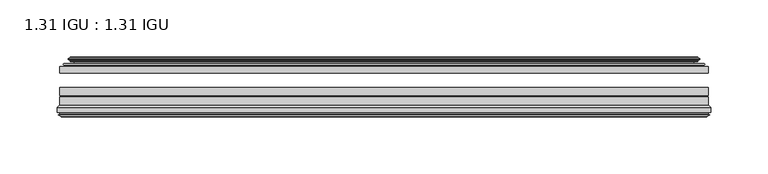
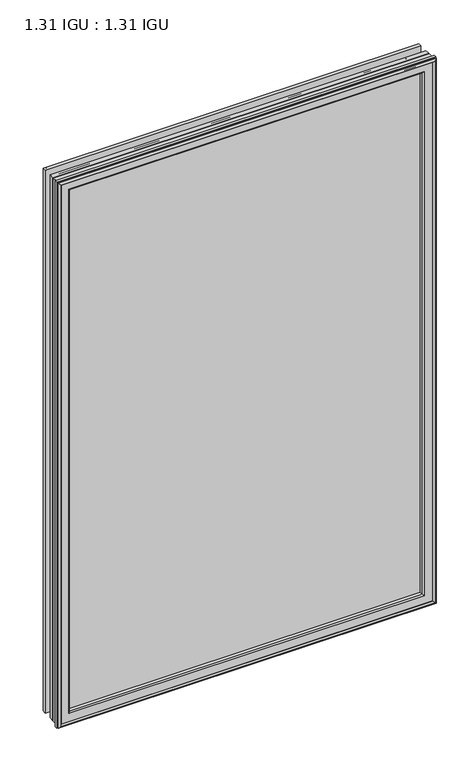
"""IFC4 building model written with IfcOpenShell, lengths in millimetres: plate geometry, 1.31 IGU : 1.31 IGU."""

import ifcopenshell
import ifcopenshell.guid

model = None  # the IFC model being written
_history = None  # IfcOwnerHistory: only IFC2X3 demands one
_inside = {}  # id of a spatial element -> (the spatial element, [elements in it])
_under = {}  # id of a project, library or spatial element -> (it, [spatial elements below it])
_declared = {}  # id of a project -> (the project, [libraries it declares])
_typed = {}  # id of a type object -> (the type object, [elements of that type])
_made_of = {}  # id of a material, layer set ... -> (it, [elements and type objects made of it])


def new_model(schema):
    """Start an empty IFC model of exactly this schema.

    Asked for "IFC4X3", IfcOpenShell would pick the latest addendum, in which some entities
    have other attributes; the version numbers below select the first issue.
    IFC2X3 requires an IfcOwnerHistory on every rooted entity: one is made here for all.
    """
    global model, _history
    if schema == "IFC4X3":
        model = ifcopenshell.file(schema_version=(4, 3, 0, 0))
    else:
        model = ifcopenshell.file(schema=schema)
    _inside.clear()
    _under.clear()
    _declared.clear()
    _typed.clear()
    _made_of.clear()
    _history = None
    if model.schema == "IFC2X3":
        org = make("IfcOrganization", Name="unknown")
        user = make(
            "IfcPersonAndOrganization",
            ThePerson=make("IfcPerson", FamilyName="unknown"),
            TheOrganization=org,
        )
        app = make(
            "IfcApplication",
            ApplicationDeveloper=org,
            Version="unknown",
            ApplicationFullName="unknown",
            ApplicationIdentifier="unknown",
        )
        _history = make(
            "IfcOwnerHistory",
            OwningUser=user,
            OwningApplication=app,
            ChangeAction="ADDED",
            CreationDate=0,
        )
    return model


def make(cls, **values):
    """One entity of the class cls with the attributes given. An attribute that is None is left unset."""
    return model.create_entity(
        cls, **{name: value for name, value in values.items() if value is not None}
    )


def rooted(cls, **values):
    """An entity with a GlobalId (a new one), such as an element, a storey or a relation."""
    return make(cls, GlobalId=ifcopenshell.guid.new(), OwnerHistory=_history, **values)


def si_unit(unit_type, name, prefix=None):
    """IfcSIUnit, for example si_unit("LENGTHUNIT", "METRE", prefix="MILLI")."""
    return make("IfcSIUnit", UnitType=unit_type, Prefix=prefix, Name=name)


def assignment(units):
    """IfcUnitAssignment: the units of a project."""
    return None if units is None else make("IfcUnitAssignment", Units=units)


def point(xyz):
    """IfcCartesianPoint."""
    return None if xyz is None else make("IfcCartesianPoint", Coordinates=xyz)


def direction(xyz):
    """IfcDirection."""
    return None if xyz is None else make("IfcDirection", DirectionRatios=xyz)


def frame(location, z_axis=None, x_axis=None):
    """IfcAxis2Placement3D, a coordinate frame: its origin and axes. An axis left out is left unset."""
    return make(
        "IfcAxis2Placement3D",
        Location=point(location),
        Axis=direction(z_axis),
        RefDirection=direction(x_axis),
    )


def origin():
    """The frame at (0, 0, 0) with its axes left unset."""
    return frame((0.0, 0.0, 0.0))


def place(relative_to, where):
    """IfcLocalPlacement: puts the frame where relative to a parent placement (None: the world)."""
    return make(
        "IfcLocalPlacement", PlacementRelTo=relative_to, RelativePlacement=where
    )


def context(
    kind, dimensions, precision=None, world=None, true_north=None, identifier=None
):
    """IfcGeometricRepresentationContext, for example the 3D "Model" context."""
    return make(
        "IfcGeometricRepresentationContext",
        ContextIdentifier=identifier,
        ContextType=kind,
        CoordinateSpaceDimension=dimensions,
        Precision=precision,
        WorldCoordinateSystem=world,
        TrueNorth=true_north,
    )


def project(units=None, contexts=None):
    """IfcProject with its units and contexts."""
    return rooted(
        "IfcProject",
        Name="project",
        RepresentationContexts=contexts,
        UnitsInContext=assignment(units),
    )


def spatial(cls, under=None, at=None, **own):
    """A site, building, storey or space (cls), placed at a placement, below another one or the project."""
    s = rooted(cls, ObjectPlacement=at, **own)
    if under is not None:
        _under.setdefault(under.id(), (under, []))[1].append(s)
    return s


def polyline(points):
    """IfcPolyline through the points."""
    return make("IfcPolyline", Points=[point(p) for p in points])


def ellipse_curve(where, semi_axis1, semi_axis2):
    """IfcEllipse in the frame where."""
    return make(
        "IfcEllipse", Position=where, SemiAxis1=semi_axis1, SemiAxis2=semi_axis2
    )


def outline(outer, holes=None, kind="AREA"):
    """IfcArbitraryClosedProfileDef: a profile drawn as a closed curve; with holes, ...WithVoids."""
    if holes is None:
        return make("IfcArbitraryClosedProfileDef", ProfileType=kind, OuterCurve=outer)
    return make(
        "IfcArbitraryProfileDefWithVoids",
        ProfileType=kind,
        OuterCurve=outer,
        InnerCurves=holes,
    )


def extrude(swept, where, along, depth):
    """IfcExtrudedAreaSolid: the profile swept, set in the frame where, extruded along a direction by depth."""
    return make(
        "IfcExtrudedAreaSolid",
        SweptArea=swept,
        Position=where,
        ExtrudedDirection=direction(along),
        Depth=depth,
    )


def shape(context_of_items, identifier, shape_type, items):
    """IfcShapeRepresentation: the items that make up one representation, for example the "Body"."""
    return make(
        "IfcShapeRepresentation",
        ContextOfItems=context_of_items,
        RepresentationIdentifier=identifier,
        RepresentationType=shape_type,
        Items=items,
    )


def source(mapping_origin, context_of_items, identifier, shape_type, items):
    """IfcRepresentationMap: a shape defined once, which mapped items show again and again."""
    return make(
        "IfcRepresentationMap",
        MappingOrigin=mapping_origin,
        MappedRepresentation=shape(context_of_items, identifier, shape_type, items),
    )


def transform(
    local_origin,
    x_axis=None,
    y_axis=None,
    z_axis=None,
    scale=None,
    scale2=None,
    scale3=None,
    uniform=True,
):
    """IfcCartesianTransformationOperator3D, or its non-uniform kind. x_axis, y_axis, z_axis: its Axis1, 2, 3."""
    if uniform:
        return make(
            "IfcCartesianTransformationOperator3D",
            Axis1=direction(x_axis),
            Axis2=direction(y_axis),
            LocalOrigin=point(local_origin),
            Scale=scale,
            Axis3=direction(z_axis),
        )
    return make(
        "IfcCartesianTransformationOperator3DnonUniform",
        Axis1=direction(x_axis),
        Axis2=direction(y_axis),
        LocalOrigin=point(local_origin),
        Scale=scale,
        Axis3=direction(z_axis),
        Scale2=scale2,
        Scale3=scale3,
    )


def mapped(mapping_source, mapping_target):
    """IfcMappedItem: shows the shape of a source again, moved by a transform."""
    return make(
        "IfcMappedItem", MappingSource=mapping_source, MappingTarget=mapping_target
    )


def made_of(thing, what):
    """Note that an element or type object is made of a material, layer set ...; save() writes the relation."""
    if what is not None:
        _made_of.setdefault(what.id(), (what, []))[1].append(thing)
    return thing


def element(
    cls,
    number,
    at=None,
    inside=None,
    cuts=None,
    type_object=None,
    material=None,
    context=None,
    identifier="Body",
    shape_type=None,
    held_by="IfcProductDefinitionShape",
    body=None,
    shapes=None,
    **own,
):
    """One element of the class cls, such as IfcWall. Its Tag is "e" and its number.

    at: its placement. inside: the storey or other place that contains it. cuts: it is an
    opening in that element (IfcRelVoidsElement). A single representation is given by context,
    identifier, shape_type and body (its items); several are given by shapes. held_by: the class
    of the entity that holds the representations. save() writes the other relations.
    """
    e = rooted(cls, Tag="e%d" % number, ObjectPlacement=at, **own)
    if body is not None:
        shapes = [shape(context, identifier, shape_type, body)]
    if shapes is not None:
        e.Representation = make(held_by, Representations=shapes)
    if inside is not None:
        _inside.setdefault(inside.id(), (inside, []))[1].append(e)
    if cuts is not None:
        rooted(
            "IfcRelVoidsElement", RelatingBuildingElement=cuts, RelatedOpeningElement=e
        )
    if type_object is not None:
        _typed.setdefault(type_object.id(), (type_object, []))[1].append(e)
    return made_of(e, material)


def aggregate(whole, parts):
    """IfcRelAggregates: a whole, such as a stair, and the parts it consists of."""
    return rooted("IfcRelAggregates", RelatingObject=whole, RelatedObjects=parts)


def save(model, path):
    """Write the relations noted so far, then the file.

    IfcRelAggregates (storeys below a building ...), IfcRelContainedInSpatialStructure (elements
    in a storey), IfcRelDefinesByType, IfcRelAssociatesMaterial and IfcRelDeclares: one each for
    every whole, place, type object, material and project.
    """
    for whole, parts in _under.values():
        aggregate(whole, parts)
    for where, things in _inside.values():
        rooted(
            "IfcRelContainedInSpatialStructure",
            RelatedElements=things,
            RelatingStructure=where,
        )
    for kind, things in _typed.values():
        rooted("IfcRelDefinesByType", RelatedObjects=things, RelatingType=kind)
    for what, things in _made_of.values():
        rooted("IfcRelAssociatesMaterial", RelatedObjects=things, RelatingMaterial=what)
    for by, libraries in _declared.values():
        rooted("IfcRelDeclares", RelatingContext=by, RelatedDefinitions=libraries)
    model.write(path)


def plane_surface(at):
    """IfcPlane: the flat surface through the origin of the frame at, square to its z axis."""
    return make("IfcPlane", Position=at)


def cylinder_surface(at, radius):
    """IfcCylindricalSurface: all points at the distance radius from the z axis of the frame at."""
    return make("IfcCylindricalSurface", Position=at, Radius=radius)


def revolved_surface(curve, axis_point, axis_direction):
    """IfcSurfaceOfRevolution: the curve turned about the line through axis_point along axis_direction."""
    return make(
        "IfcSurfaceOfRevolution",
        SweptCurve=make("IfcArbitraryOpenProfileDef", ProfileType="CURVE", Curve=curve),
        AxisPosition=make("IfcAxis1Placement", Location=point(axis_point), Axis=direction(axis_direction)),
    )


def advanced_brep(points, edges, surfaces, faces):
    """IfcAdvancedBrep: a solid bounded by faces that lie on surfaces and meet in shared edges.

    An edge is (start, end): straight between two places in points (the first is 0);
    or (start, end, curve); or (start, end, curve, False) where it runs against its curve.
    A face is (place in surfaces, loops), or (place, loops, False) where it looks against
    its surface's normal. A loop lists edges by number (the first is 1), with a minus sign
    where the edge is run from its end to its start. The first loop is the outer one.
    """
    corners = [point(p) for p in points]
    vertices = [make("IfcVertexPoint", VertexGeometry=c) for c in corners]
    made = []
    for start, end, *more in edges:
        made.append(
            make(
                "IfcEdgeCurve",
                EdgeStart=vertices[start],
                EdgeEnd=vertices[end],
                EdgeGeometry=more[0] if more else make("IfcPolyline", Points=[corners[start], corners[end]]),
                SameSense=more[1] if len(more) > 1 else True,
            )
        )
    hull = []
    for where, loops, *sense in faces:
        bounds = []
        for j, loop in enumerate(loops):
            ring = [make("IfcOrientedEdge", EdgeElement=made[abs(k) - 1], Orientation=k > 0) for k in loop]
            bounds.append(
                make(
                    "IfcFaceOuterBound" if j == 0 else "IfcFaceBound",
                    Bound=make("IfcEdgeLoop", EdgeList=ring),
                    Orientation=True,
                )
            )
        hull.append(make("IfcAdvancedFace", Bounds=bounds, FaceSurface=surfaces[where], SameSense=sense[0] if sense else True))
    return make("IfcAdvancedBrep", Outer=make("IfcClosedShell", CfsFaces=hull))


def plate_1_31_igu_1_31_igu_77dc7ac2(model_context):
    return source(origin(), model_context, "Body", "SolidModel", [
        extrude(outline(polyline([(284.1575649, -44.8960875), (284.1575649, -50.4332875), (-284.1625, -50.4332875), (-284.1625, -44.8960875), (284.1575649, -44.8960875)])), frame((0.0, 0.0, -14.2875), z_axis=(0.0, 0.0, 1.0), x_axis=(1.0, 0.0, 0.0)), (0.0, 0.0, 1.0), 868.3488413),
        extrude(outline(polyline([(-284.1625, -78.7796875), (-284.1625, -71.7692875), (284.1575649, -71.7692875), (284.1575649, -78.7796875), (-284.1625, -78.7796875)])), frame((0.0, 0.0, -14.2875), z_axis=(0.0, 0.0, 1.0), x_axis=(1.0, 0.0, 0.0)), (0.0, 0.0, 1.0), 868.3488413),
        extrude(outline(polyline([(-284.1625, -70.2452875), (-284.1625, -63.1332875), (284.1575649, -63.1332875), (284.1575649, -70.2452875), (-284.1625, -70.2452875)])), frame((0.0, 0.0, -14.2875), z_axis=(0.0, 0.0, 1.0), x_axis=(1.0, 0.0, 0.0)), (0.0, 0.0, 1.0), 868.3488413),
        advanced_brep(
        [(-274.8171755, -37.7373382, 844.7160167), (-269.8755426, -36.3108875, 839.7743838), (-269.8755426, -36.3108875, -0.0005426), (-274.8171755, -37.7373382, -4.9421755), (-274.6520702, -36.9605789, 844.5509115), (-274.6520702, -36.9605789, -4.7770702), (-275.2475559, -36.4771203, 845.1463972), (-275.2475559, -36.4771203, -5.3725559), (-276.5121917, -37.766076, 846.411033), (-276.5121917, -37.766076, -6.6371917), (-276.5013749, -38.8797852, 846.4002162), (-276.5013749, -38.8797852, -6.6263749), (-275.2198897, -40.1361433, 845.118731), (-275.2198897, -40.1361433, -5.3448897), (-274.6148829, -39.649943, 844.5137242), (-274.6148829, -39.649943, -4.7398829), (-275.1688972, -39.0959287, 845.0677384), (-275.1688972, -39.0959287, -5.2938972), (-272.8830887, -38.7029881, 842.78193), (-272.8830887, -38.7029881, -3.0080887), (-271.4240157, -40.2107282, 841.3228569), (-271.4240157, -40.2107282, -1.5490157), (-271.7205976, -41.651269, 841.6194389), (-271.7205976, -41.651269, -1.8455976), (-272.4918221, -42.2798875, 842.3906633), (-272.4918221, -42.2798875, -2.6168221), (-280.7957984, -43.4871542, 850.6946396), (-280.5205969, -42.2798875, 850.4194382), (-280.5205969, -42.2798875, -10.6455969), (-280.7957984, -43.4871542, -10.9207984), (-277.3382297, -44.8960875, 847.237071), (-277.3382297, -44.8960875, -7.4632297), (-266.2406059, -44.023302, 836.1394472), (-266.5959439, -44.8960875, 836.4947851), (-266.5959439, -44.8960875, 3.2790561), (-266.2406059, -44.023302, 3.6343941), (-266.911804, -43.3681812, 836.8106452), (-266.911804, -43.3681812, 2.963196), (-268.5525946, -40.6686056, 838.4514358), (-268.5525946, -40.6686056, 1.3224054), (269.8755426, -36.3108875, -0.0005426), (274.8171755, -37.7373382, -4.9421755), (274.6520702, -36.9605789, -4.7770702), (275.2475559, -36.4771203, -5.3725559), (276.5121917, -37.766076, -6.6371917), (276.5013749, -38.8797852, -6.6263749), (275.2198897, -40.1361433, -5.3448897), (274.6148829, -39.649943, -4.7398829), (275.1688972, -39.0959287, -5.2938972), (272.8830887, -38.7029881, -3.0080887), (271.4240157, -40.2107282, -1.5490157), (271.7205976, -41.651269, -1.8455976), (272.4918221, -42.2798875, -2.6168221), (280.5205969, -42.2798875, -10.6455969), (280.7957984, -43.4871542, -10.9207984), (277.3382297, -44.8960875, -7.4632297), (266.5959439, -44.8960875, 3.2790561), (266.2406059, -44.023302, 3.6343941), (266.911804, -43.3681812, 2.963196), (268.5525946, -40.6686056, 1.3224054), (269.8755426, -36.3108875, 839.7743838), (274.8171755, -37.7373382, 844.7160167), (274.6520702, -36.9605789, 844.5509115), (275.2475559, -36.4771203, 845.1463972), (276.5121917, -37.766076, 846.411033), (276.5013749, -38.8797852, 846.4002162), (275.2198897, -40.1361433, 845.118731), (274.6148829, -39.649943, 844.5137242), (275.1688972, -39.0959287, 845.0677384), (272.8830887, -38.7029881, 842.78193), (271.4240157, -40.2107282, 841.3228569), (271.7205976, -41.651269, 841.6194389), (272.4918221, -42.2798875, 842.3906633), (280.5205969, -42.2798875, 850.4194382), (280.7957984, -43.4871542, 850.6946396), (277.3382297, -44.8960875, 847.237071), (266.5959439, -44.8960875, 836.4947851), (266.2406059, -44.023302, 836.1394472), (266.911804, -43.3681812, 836.8106452), (268.5525946, -40.6686056, 838.4514358)],
        [
            (0, 1),
            (1, 2),
            (2, 3),
            (3, 0),
            (4, 0),
            (3, 5),
            (5, 4),
            (6, 4, ellipse_curve(frame((-274.9725871, -36.746901, 844.8714284), z_axis=(-0.7071067811865475, 0.0, -0.7071067811865475), x_axis=(-0.7071067811865474, 0.0, 0.7071067811865476)), 0.5447741, 0.3852135)),
            (5, 7, ellipse_curve(frame((-274.9725871, -36.746901, -5.0975871), z_axis=(-0.7071067811865475, 0.0, 0.7071067811865475), x_axis=(0.7071067811865474, 0.0, 0.7071067811865476)), 0.5447741, 0.3852135)),
            (7, 6),
            (8, 6),
            (7, 9),
            (9, 8),
            (10, 8, ellipse_curve(frame((-275.9501387, -38.3175243, 845.8489799), z_axis=(-0.7071067811865475, 0.0, -0.7071067811865475), x_axis=(-0.7071067811865474, 0.0, 0.7071067811865476)), 1.1135518, 0.7874)),
            (9, 11, ellipse_curve(frame((-275.9501387, -38.3175243, -6.0751387), z_axis=(-0.7071067811865475, 0.0, 0.7071067811865475), x_axis=(0.7071067811865474, 0.0, 0.7071067811865476)), 1.1135518, 0.7874)),
            (11, 10),
            (12, 10),
            (11, 13),
            (13, 12),
            (14, 12, ellipse_curve(frame((-274.9462922, -39.8570738, 844.8451335), z_axis=(-0.7071067811865475, 0.0, -0.7071067811865475), x_axis=(-0.7071067811865474, 0.0, 0.7071067811865476)), 0.552694, 0.3908137)),
            (13, 15, ellipse_curve(frame((-274.9462922, -39.8570738, -5.0712922), z_axis=(-0.7071067811865475, 0.0, 0.7071067811865475), x_axis=(0.7071067811865474, 0.0, 0.7071067811865476)), 0.552694, 0.3908137)),
            (15, 14),
            (16, 14),
            (15, 17),
            (17, 16),
            (18, 16),
            (17, 19),
            (19, 18),
            (20, 18, ellipse_curve(frame((-272.6679261, -39.954629, 842.5667674), z_axis=(0.7071067811865475, 0.0, 0.7071067811865475), x_axis=(0.7071067811865474, 0.0, -0.7071067811865476)), 1.7960512, 1.27)),
            (19, 21, ellipse_curve(frame((-272.6679261, -39.954629, -2.7929261), z_axis=(0.7071067811865475, 0.0, -0.7071067811865475), x_axis=(-0.7071067811865474, 0.0, -0.7071067811865476)), 1.7960512, 1.27)),
            (21, 20),
            (22, 20),
            (21, 23),
            (23, 22),
            (24, 22, ellipse_curve(frame((-272.4918221, -41.4924875, 842.3906633), z_axis=(0.7071067811865475, 0.0, 0.7071067811865475), x_axis=(0.7071067811865474, 0.0, -0.7071067811865476)), 1.1135518, 0.7874)),
            (23, 25, ellipse_curve(frame((-272.4918221, -41.4924875, -2.6168221), z_axis=(0.7071067811865475, 0.0, -0.7071067811865475), x_axis=(-0.7071067811865474, 0.0, -0.7071067811865476)), 1.1135518, 0.7874)),
            (25, 24),
            (26, 27, ellipse_curve(frame((-280.5205969, -42.9148875, 850.4194382), z_axis=(-0.7071067811865475, 0.0, -0.7071067811865475), x_axis=(-0.7071067811865474, 0.0, 0.7071067811865476)), 0.8980256, 0.635)),
            (27, 28),
            (28, 29, ellipse_curve(frame((-280.5205969, -42.9148875, -10.6455969), z_axis=(-0.7071067811865475, 0.0, 0.7071067811865475), x_axis=(0.7071067811865474, 0.0, 0.7071067811865476)), 0.8980256, 0.635)),
            (29, 26),
            (30, 26),
            (29, 31),
            (31, 30),
            (32, 33, ellipse_curve(frame((-266.5959439, -44.3873602, 836.4947851), z_axis=(-0.7071067811865475, 0.0, -0.7071067811865475), x_axis=(-0.7071067811865474, 0.0, 0.7071067811865476)), 0.719449, 0.5087273)),
            (33, 34),
            (34, 35, ellipse_curve(frame((-266.5959439, -44.3873602, 3.2790561), z_axis=(-0.7071067811865475, 0.0, 0.7071067811865475), x_axis=(0.7071067811865474, 0.0, 0.7071067811865476)), 0.719449, 0.5087273)),
            (35, 32),
            (36, 32),
            (35, 37),
            (37, 36),
            (38, 36, ellipse_curve(frame((-262.4764298, -38.823959, 832.375271), z_axis=(0.7071067811865475, 0.0, 0.7071067811865475), x_axis=(0.7071067811865474, 0.0, -0.7071067811865476)), 8.9802561, 6.35)),
            (37, 39, ellipse_curve(frame((-262.4764298, -38.823959, 7.3985702), z_axis=(0.7071067811865475, 0.0, -0.7071067811865475), x_axis=(-0.7071067811865474, 0.0, -0.7071067811865476)), 8.9802561, 6.35)),
            (39, 38),
            (1, 38),
            (39, 2),
            (2, 40),
            (40, 41),
            (41, 3),
            (41, 42),
            (42, 5),
            (42, 43, ellipse_curve(frame((274.9725871, -36.746901, -5.0975871), z_axis=(-0.7071067811865475, 0.0, -0.7071067811865475), x_axis=(-0.7071067811865476, 0.0, 0.7071067811865474)), 0.5447741, 0.3852135)),
            (43, 7),
            (43, 44),
            (44, 9),
            (44, 45, ellipse_curve(frame((275.9501387, -38.3175243, -6.0751387), z_axis=(-0.7071067811865475, 0.0, -0.7071067811865475), x_axis=(-0.7071067811865476, 0.0, 0.7071067811865474)), 1.1135518, 0.7874)),
            (45, 11),
            (45, 46),
            (46, 13),
            (46, 47, ellipse_curve(frame((274.9462922, -39.8570738, -5.0712922), z_axis=(-0.7071067811865475, 0.0, -0.7071067811865475), x_axis=(-0.7071067811865476, 0.0, 0.7071067811865474)), 0.552694, 0.3908137)),
            (47, 15),
            (47, 48),
            (48, 17),
            (48, 49),
            (49, 19),
            (49, 50, ellipse_curve(frame((272.6679261, -39.954629, -2.7929261), z_axis=(0.7071067811865475, 0.0, 0.7071067811865475), x_axis=(0.7071067811865476, 0.0, -0.7071067811865474)), 1.7960512, 1.27)),
            (50, 21),
            (50, 51),
            (51, 23),
            (51, 52, ellipse_curve(frame((272.4918221, -41.4924875, -2.6168221), z_axis=(0.7071067811865475, 0.0, 0.7071067811865475), x_axis=(0.7071067811865476, 0.0, -0.7071067811865474)), 1.1135518, 0.7874)),
            (52, 25),
            (28, 53),
            (53, 54, ellipse_curve(frame((280.5205969, -42.9148875, -10.6455969), z_axis=(-0.7071067811865475, 0.0, -0.7071067811865475), x_axis=(-0.7071067811865476, 0.0, 0.7071067811865474)), 0.8980256, 0.635)),
            (54, 29),
            (54, 55),
            (55, 31),
            (34, 56),
            (56, 57, ellipse_curve(frame((266.5959439, -44.3873602, 3.2790561), z_axis=(-0.7071067811865475, 0.0, -0.7071067811865475), x_axis=(-0.7071067811865476, 0.0, 0.7071067811865474)), 0.719449, 0.5087273)),
            (57, 35),
            (57, 58),
            (58, 37),
            (58, 59, ellipse_curve(frame((262.4764298, -38.823959, 7.3985702), z_axis=(0.7071067811865475, 0.0, 0.7071067811865475), x_axis=(0.7071067811865476, 0.0, -0.7071067811865474)), 8.9802561, 6.35)),
            (59, 39),
            (59, 40),
            (40, 60),
            (60, 61),
            (61, 41),
            (61, 62),
            (62, 42),
            (62, 63, ellipse_curve(frame((274.9725871, -36.746901, 844.8714284), z_axis=(0.7071067811865475, 0.0, -0.7071067811865475), x_axis=(-0.7071067811865474, 0.0, -0.7071067811865476)), 0.5447741, 0.3852135)),
            (63, 43),
            (63, 64),
            (64, 44),
            (64, 65, ellipse_curve(frame((275.9501387, -38.3175243, 845.8489799), z_axis=(0.7071067811865475, 0.0, -0.7071067811865475), x_axis=(-0.7071067811865474, 0.0, -0.7071067811865476)), 1.1135518, 0.7874)),
            (65, 45),
            (65, 66),
            (66, 46),
            (66, 67, ellipse_curve(frame((274.9462922, -39.8570738, 844.8451335), z_axis=(0.7071067811865475, 0.0, -0.7071067811865475), x_axis=(-0.7071067811865474, 0.0, -0.7071067811865476)), 0.552694, 0.3908137)),
            (67, 47),
            (67, 68),
            (68, 48),
            (68, 69),
            (69, 49),
            (69, 70, ellipse_curve(frame((272.6679261, -39.954629, 842.5667674), z_axis=(-0.7071067811865475, 0.0, 0.7071067811865475), x_axis=(0.7071067811865474, 0.0, 0.7071067811865476)), 1.7960512, 1.27)),
            (70, 50),
            (70, 71),
            (71, 51),
            (71, 72, ellipse_curve(frame((272.4918221, -41.4924875, 842.3906633), z_axis=(-0.7071067811865475, 0.0, 0.7071067811865475), x_axis=(0.7071067811865474, 0.0, 0.7071067811865476)), 1.1135518, 0.7874)),
            (72, 52),
            (53, 73),
            (73, 74, ellipse_curve(frame((280.5205969, -42.9148875, 850.4194382), z_axis=(0.7071067811865475, 0.0, -0.7071067811865475), x_axis=(-0.7071067811865474, 0.0, -0.7071067811865476)), 0.8980256, 0.635)),
            (74, 54),
            (74, 75),
            (75, 55),
            (56, 76),
            (76, 77, ellipse_curve(frame((266.5959439, -44.3873602, 836.4947851), z_axis=(0.7071067811865475, 0.0, -0.7071067811865475), x_axis=(-0.7071067811865474, 0.0, -0.7071067811865476)), 0.719449, 0.5087273)),
            (77, 57),
            (77, 78),
            (78, 58),
            (78, 79, ellipse_curve(frame((262.4764298, -38.823959, 832.375271), z_axis=(-0.7071067811865475, 0.0, 0.7071067811865475), x_axis=(0.7071067811865474, 0.0, 0.7071067811865476)), 8.9802561, 6.35)),
            (79, 59),
            (79, 60),
            (60, 1),
            (0, 61),
            (4, 62),
            (6, 63),
            (8, 64),
            (10, 65),
            (12, 66),
            (14, 67),
            (16, 68),
            (18, 69),
            (20, 70),
            (22, 71),
            (24, 72),
            (27, 73),
            (26, 74),
            (30, 75),
            (33, 76),
            (32, 77),
            (36, 78),
            (38, 79),
        ],
        [
            plane_surface(frame((-269.8755426, -36.3108875, 839.7743838), z_axis=(-0.2773364928492854, 0.9607728502273877, 0.0), x_axis=(0.0, 0.0, -1.0))),
            plane_surface(frame((-274.8171755, -37.7373382, 844.7160167), z_axis=(0.9781476007338358, -0.20791169081761773, 0.0), x_axis=(0.0, 0.0, -1.0))),
            cylinder_surface(frame((-274.9725871, -36.746901, 871.5238413), z_axis=(0.0, 0.0, 1.0), x_axis=(-1.0, 0.0, 0.0)), 0.3852135),
            plane_surface(frame((-275.2475559, -36.4771203, 845.1463972), z_axis=(-0.7138087599382162, 0.7003406701280929, 0.0), x_axis=(0.0, 0.0, -1.0))),
            cylinder_surface(frame((-275.9501387, -38.3175243, 871.5238413), z_axis=(0.0, 0.0, 1.0), x_axis=(-1.0, 0.0, 0.0)), 0.7874),
            plane_surface(frame((-276.5013749, -38.8797852, 846.4002162), z_axis=(-0.7000714109283733, -0.7140728391423082, 0.0), x_axis=(0.0, 0.0, -1.0))),
            cylinder_surface(frame((-274.9462922, -39.8570738, 871.5238413), z_axis=(0.0, 0.0, 1.0), x_axis=(-1.0, 0.0, 0.0)), 0.3908137),
            plane_surface(frame((-274.6148829, -39.649943, 844.5137242), z_axis=(0.7071067811861126, 0.7071067811869826, 0.0), x_axis=(0.0, 0.0, -1.0))),
            plane_surface(frame((-275.1688972, -39.0959287, 845.0677384), z_axis=(0.1694194067101148, -0.9855440449974789, 0.0), x_axis=(0.0, 0.0, -1.0))),
            revolved_surface(polyline([(-273.93792609999997, -39.954629, -4.0629260828783345), (-273.93792609999997, -39.954629, 843.8367673828783)]), (-272.6679261, -39.954629, 871.5238413), (0.0, 0.0, -1.0)),
            plane_surface(frame((-271.4240157, -40.2107282, 841.3228569), z_axis=(-0.9794570432566897, 0.20165292067030202, 0.0), x_axis=(0.0, 0.0, -1.0))),
            revolved_surface(polyline([(-273.27922209999997, -41.4924875, -3.4042221289824965), (-273.27922209999997, -41.4924875, 843.1780633289825)]), (-272.4918221, -41.4924875, 871.5238413), (0.0, 0.0, -1.0)),
            cylinder_surface(frame((-280.5205969, -42.9148875, 871.5238413), z_axis=(0.0, 0.0, 1.0), x_axis=(-1.0, 0.0, 0.0)), 0.635),
            plane_surface(frame((-280.7957984, -43.4871542, 850.6946396), z_axis=(-0.37736447542757934, -0.9260648209954139, 0.0), x_axis=(0.0, 0.0, -1.0))),
            cylinder_surface(frame((-266.5959439, -44.3873602, 871.5238413), z_axis=(0.0, 0.0, 1.0), x_axis=(-1.0, 0.0, 0.0)), 0.5087273),
            plane_surface(frame((-266.2406059, -44.023302, 836.1394472), z_axis=(0.698484125849927, 0.7156255486884628, 0.0), x_axis=(0.0, 0.0, -1.0))),
            revolved_surface(polyline([(-268.8264298, -38.823959, 1.0485702148981773), (-268.8264298, -38.823959, 838.7252709851018)]), (-262.4764298, -38.823959, 871.5238413), (0.0, 0.0, -1.0)),
            plane_surface(frame((-268.5525946, -40.6686056, 838.4514358), z_axis=(0.956876347351701, 0.2904955350411895, 0.0), x_axis=(0.0, 0.0, -1.0))),
            plane_surface(frame((-269.8755426, -36.3108875, -0.0005426), z_axis=(0.0, 0.9607728502273868, -0.2773364928492885), x_axis=(1.0, 0.0, 0.0))),
            plane_surface(frame((-274.8171755, -37.7373382, -4.9421755), z_axis=(0.0, -0.20791169081761454, 0.9781476007338364), x_axis=(1.0, 0.0, 0.0))),
            cylinder_surface(frame((-301.625, -36.746901, -5.0975871), z_axis=(-1.0, 0.0, 0.0), x_axis=(0.0, 0.0, -1.0)), 0.3852135),
            plane_surface(frame((-275.2475559, -36.4771203, -5.3725559), z_axis=(0.0, 0.7003406701280904, -0.7138087599382185), x_axis=(1.0, 0.0, 0.0))),
            cylinder_surface(frame((-301.625, -38.3175243, -6.0751387), z_axis=(-1.0, 0.0, 0.0), x_axis=(0.0, 0.0, -1.0)), 0.7874),
            plane_surface(frame((-276.5013749, -38.8797852, -6.6263749), z_axis=(0.0, -0.7140728391423106, -0.700071410928371), x_axis=(1.0, 0.0, 0.0))),
            cylinder_surface(frame((-301.625, -39.8570738, -5.0712922), z_axis=(-1.0, 0.0, 0.0), x_axis=(0.0, 0.0, -1.0)), 0.3908137),
            plane_surface(frame((-274.6148829, -39.649943, -4.7398829), z_axis=(0.0, 0.7071067811869849, 0.7071067811861103), x_axis=(1.0, 0.0, 0.0))),
            plane_surface(frame((-275.1688972, -39.0959287, -5.2938972), z_axis=(0.0, -0.9855440449974784, 0.16941940671011801), x_axis=(1.0, 0.0, 0.0))),
            revolved_surface(polyline([(273.9379260828782, -39.954629, -4.0629261), (-273.9379260828782, -39.954629, -4.0629261)]), (-301.625, -39.954629, -2.7929261), (1.0, 0.0, 0.0)),
            plane_surface(frame((-271.4240157, -40.2107282, -1.5490157), z_axis=(0.0, 0.20165292067029883, -0.9794570432566904), x_axis=(1.0, 0.0, 0.0))),
            revolved_surface(polyline([(273.2792221289825, -41.4924875, -3.4042220999999997), (-273.27922212898244, -41.4924875, -3.4042220999999997)]), (-301.625, -41.4924875, -2.6168221), (1.0, 0.0, 0.0)),
            cylinder_surface(frame((-301.625, -42.9148875, -10.6455969), z_axis=(-1.0, 0.0, 0.0), x_axis=(0.0, 0.0, -1.0)), 0.635),
            plane_surface(frame((-280.7957984, -43.4871542, -10.9207984), z_axis=(0.0, -0.9260648209954151, -0.37736447542757634), x_axis=(1.0, 0.0, 0.0))),
            cylinder_surface(frame((-301.625, -44.3873602, 3.2790561), z_axis=(-1.0, 0.0, 0.0), x_axis=(0.0, 0.0, -1.0)), 0.5087273),
            plane_surface(frame((-266.2406059, -44.023302, 3.6343941), z_axis=(0.0, 0.7156255486884651, 0.6984841258499247), x_axis=(1.0, 0.0, 0.0))),
            revolved_surface(polyline([(268.8264297851018, -38.823959, 1.0485702000000003), (-268.8264297851019, -38.823959, 1.0485702000000003)]), (-301.625, -38.823959, 7.3985702), (1.0, 0.0, 0.0)),
            plane_surface(frame((-268.5525946, -40.6686056, 1.3224054), z_axis=(0.0, 0.29049553504119263, 0.9568763473517), x_axis=(1.0, 0.0, 0.0))),
            plane_surface(frame((269.8755426, -36.3108875, -0.0005426), z_axis=(0.2773364928492916, 0.9607728502273859, 0.0), x_axis=(0.0, 0.0, 1.0))),
            plane_surface(frame((274.8171755, -37.7373382, -4.9421755), z_axis=(-0.9781476007338371, -0.20791169081761135, 0.0), x_axis=(0.0, 0.0, 1.0))),
            cylinder_surface(frame((274.9725871, -36.746901, -31.75), z_axis=(0.0, 0.0, -1.0), x_axis=(1.0, 0.0, 0.0)), 0.3852135),
            plane_surface(frame((275.2475559, -36.4771203, -5.3725559), z_axis=(0.7138087599382208, 0.7003406701280881, 0.0), x_axis=(0.0, 0.0, 1.0))),
            cylinder_surface(frame((275.9501387, -38.3175243, -31.75), z_axis=(0.0, 0.0, -1.0), x_axis=(1.0, 0.0, 0.0)), 0.7874),
            plane_surface(frame((276.5013749, -38.8797852, -6.6263749), z_axis=(0.7000714109283687, -0.7140728391423129, 0.0), x_axis=(0.0, 0.0, 1.0))),
            cylinder_surface(frame((274.9462922, -39.8570738, -31.75), z_axis=(0.0, 0.0, -1.0), x_axis=(1.0, 0.0, 0.0)), 0.3908137),
            plane_surface(frame((274.6148829, -39.649943, -4.7398829), z_axis=(-0.7071067811861079, 0.7071067811869872, 0.0), x_axis=(0.0, 0.0, 1.0))),
            plane_surface(frame((275.1688972, -39.0959287, -5.2938972), z_axis=(-0.16941940671012123, -0.9855440449974778, 0.0), x_axis=(0.0, 0.0, 1.0))),
            revolved_surface(polyline([(273.93792609999997, -39.954629, 843.8367673828783), (273.93792609999997, -39.954629, -4.062926082878235)]), (272.6679261, -39.954629, -31.75), (0.0, 0.0, 1.0)),
            plane_surface(frame((271.4240157, -40.2107282, -1.5490157), z_axis=(0.979457043256691, 0.20165292067029564, 0.0), x_axis=(0.0, 0.0, 1.0))),
            revolved_surface(polyline([(273.27922209999997, -41.4924875, 843.1780633289825), (273.27922209999997, -41.4924875, -3.404222128982486)]), (272.4918221, -41.4924875, -31.75), (0.0, 0.0, 1.0)),
            cylinder_surface(frame((280.5205969, -42.9148875, -31.75), z_axis=(0.0, 0.0, -1.0), x_axis=(1.0, 0.0, 0.0)), 0.635),
            plane_surface(frame((280.7957984, -43.4871542, -10.9207984), z_axis=(0.37736447542757334, -0.9260648209954163, 0.0), x_axis=(0.0, 0.0, 1.0))),
            cylinder_surface(frame((266.5959439, -44.3873602, -31.75), z_axis=(0.0, 0.0, -1.0), x_axis=(1.0, 0.0, 0.0)), 0.5087273),
            plane_surface(frame((266.2406059, -44.023302, 3.6343941), z_axis=(-0.6984841258499224, 0.7156255486884673, 0.0), x_axis=(0.0, 0.0, 1.0))),
            revolved_surface(polyline([(268.8264298, -38.823959, 838.7252709851018), (268.8264298, -38.823959, 1.0485702148981417)]), (262.4764298, -38.823959, -31.75), (0.0, 0.0, 1.0)),
            plane_surface(frame((268.5525946, -40.6686056, 1.3224054), z_axis=(-0.9568763473516991, 0.2904955350411958, 0.0), x_axis=(0.0, 0.0, 1.0))),
            plane_surface(frame((269.8755426, -36.3108875, 839.7743838), z_axis=(0.0, 0.9607728502273868, 0.2773364928492885), x_axis=(-1.0, 0.0, 0.0))),
            plane_surface(frame((274.8171755, -37.7373382, 844.7160167), z_axis=(0.0, -0.20791169081761454, -0.9781476007338364), x_axis=(-1.0, 0.0, 0.0))),
            cylinder_surface(frame((301.625, -36.746901, 844.8714284), z_axis=(1.0, 0.0, 0.0), x_axis=(0.0, 0.0, 1.0)), 0.3852135),
            plane_surface(frame((275.2475559, -36.4771203, 845.1463972), z_axis=(0.0, 0.7003406701280904, 0.7138087599382185), x_axis=(-1.0, 0.0, 0.0))),
            cylinder_surface(frame((301.625, -38.3175243, 845.8489799), z_axis=(1.0, 0.0, 0.0), x_axis=(0.0, 0.0, 1.0)), 0.7874),
            plane_surface(frame((276.5013749, -38.8797852, 846.4002162), z_axis=(0.0, -0.7140728391423106, 0.700071410928371), x_axis=(-1.0, 0.0, 0.0))),
            cylinder_surface(frame((301.625, -39.8570738, 844.8451335), z_axis=(1.0, 0.0, 0.0), x_axis=(0.0, 0.0, 1.0)), 0.3908137),
            plane_surface(frame((274.6148829, -39.649943, 844.5137242), z_axis=(0.0, 0.7071067811869849, -0.7071067811861103), x_axis=(-1.0, 0.0, 0.0))),
            plane_surface(frame((275.1688972, -39.0959287, 845.0677384), z_axis=(0.0, -0.9855440449974784, -0.16941940671011801), x_axis=(-1.0, 0.0, 0.0))),
            revolved_surface(polyline([(-273.9379260828782, -39.954629, 843.8367674), (273.9379260828782, -39.954629, 843.8367674)]), (301.625, -39.954629, 842.5667674), (-1.0, 0.0, 0.0)),
            plane_surface(frame((271.4240157, -40.2107282, 841.3228569), z_axis=(0.0, 0.20165292067029883, 0.9794570432566904), x_axis=(-1.0, 0.0, 0.0))),
            revolved_surface(polyline([(-273.2792221289825, -41.4924875, 843.1780633000001), (273.27922212898244, -41.4924875, 843.1780633000001)]), (301.625, -41.4924875, 842.3906633), (-1.0, 0.0, 0.0)),
            plane_surface(frame((272.4918221, -42.2798875, 842.3906633), z_axis=(0.0, 1.0, 0.0), x_axis=(-1.0, 0.0, 0.0))),
            cylinder_surface(frame((301.625, -42.9148875, 850.4194382), z_axis=(1.0, 0.0, 0.0), x_axis=(0.0, 0.0, 1.0)), 0.635),
            plane_surface(frame((280.7957984, -43.4871542, 850.6946396), z_axis=(0.0, -0.9260648209954151, 0.37736447542757634), x_axis=(-1.0, 0.0, 0.0))),
            plane_surface(frame((277.3382297, -44.8960875, 847.237071), z_axis=(0.0, -1.0, 0.0), x_axis=(-1.0, 0.0, 0.0))),
            cylinder_surface(frame((301.625, -44.3873602, 836.4947851), z_axis=(1.0, 0.0, 0.0), x_axis=(0.0, 0.0, 1.0)), 0.5087273),
            plane_surface(frame((266.2406059, -44.023302, 836.1394472), z_axis=(0.0, 0.7156255486884651, -0.6984841258499247), x_axis=(-1.0, 0.0, 0.0))),
            revolved_surface(polyline([(-268.8264297851018, -38.823959, 838.725271), (268.8264297851019, -38.823959, 838.725271)]), (301.625, -38.823959, 832.375271), (-1.0, 0.0, 0.0)),
            plane_surface(frame((268.5525946, -40.6686056, 838.4514358), z_axis=(0.0, 0.2904955350411927, -0.9568763473517001), x_axis=(-1.0, 0.0, 0.0))),
        ],
        [
            (0, [[1, 2, 3, 4]]),
            (1, [[5, -4, 6, 7]]),
            (2, [[8, -7, 9, 10]]),
            (3, [[11, -10, 12, 13]]),
            (4, [[14, -13, 15, 16]]),
            (5, [[17, -16, 18, 19]]),
            (6, [[20, -19, 21, 22]]),
            (7, [[23, -22, 24, 25]]),
            (8, [[26, -25, 27, 28]]),
            (9, [[29, -28, 30, 31]]),
            (10, [[32, -31, 33, 34]]),
            (11, [[35, -34, 36, 37]]),
            (12, [[38, 39, 40, 41]]),
            (13, [[42, -41, 43, 44]]),
            (14, [[45, 46, 47, 48]]),
            (15, [[49, -48, 50, 51]]),
            (16, [[52, -51, 53, 54]]),
            (17, [[55, -54, 56, -2]]),
            (18, [[-3, 57, 58, 59]]),
            (19, [[-6, -59, 60, 61]]),
            (20, [[-9, -61, 62, 63]]),
            (21, [[-12, -63, 64, 65]]),
            (22, [[-15, -65, 66, 67]]),
            (23, [[-18, -67, 68, 69]]),
            (24, [[-21, -69, 70, 71]]),
            (25, [[-24, -71, 72, 73]]),
            (26, [[-27, -73, 74, 75]]),
            (27, [[-30, -75, 76, 77]]),
            (28, [[-33, -77, 78, 79]]),
            (29, [[-36, -79, 80, 81]]),
            (30, [[-40, 82, 83, 84]]),
            (31, [[-43, -84, 85, 86]]),
            (32, [[-47, 87, 88, 89]]),
            (33, [[-50, -89, 90, 91]]),
            (34, [[-53, -91, 92, 93]]),
            (35, [[-56, -93, 94, -57]]),
            (36, [[-58, 95, 96, 97]]),
            (37, [[-60, -97, 98, 99]]),
            (38, [[-62, -99, 100, 101]]),
            (39, [[-64, -101, 102, 103]]),
            (40, [[-66, -103, 104, 105]]),
            (41, [[-68, -105, 106, 107]]),
            (42, [[-70, -107, 108, 109]]),
            (43, [[-72, -109, 110, 111]]),
            (44, [[-74, -111, 112, 113]]),
            (45, [[-76, -113, 114, 115]]),
            (46, [[-78, -115, 116, 117]]),
            (47, [[-80, -117, 118, 119]]),
            (48, [[-83, 120, 121, 122]]),
            (49, [[-85, -122, 123, 124]]),
            (50, [[-88, 125, 126, 127]]),
            (51, [[-90, -127, 128, 129]]),
            (52, [[-92, -129, 130, 131]]),
            (53, [[-94, -131, 132, -95]]),
            (54, [[-96, 133, -1, 134]]),
            (55, [[-98, -134, -5, 135]]),
            (56, [[-100, -135, -8, 136]]),
            (57, [[-102, -136, -11, 137]]),
            (58, [[-104, -137, -14, 138]]),
            (59, [[-106, -138, -17, 139]]),
            (60, [[-108, -139, -20, 140]]),
            (61, [[-110, -140, -23, 141]]),
            (62, [[-112, -141, -26, 142]]),
            (63, [[-114, -142, -29, 143]]),
            (64, [[-116, -143, -32, 144]]),
            (65, [[-118, -144, -35, 145]]),
            (66, [[146, -120, -82, -39], [-81, -119, -145, -37]]),
            (67, [[-121, -146, -38, 147]]),
            (68, [[-123, -147, -42, 148]]),
            (69, [[-86, -124, -148, -44], [149, -125, -87, -46]]),
            (70, [[-126, -149, -45, 150]]),
            (71, [[-128, -150, -49, 151]]),
            (72, [[-130, -151, -52, 152]]),
            (73, [[-132, -152, -55, -133]]),
        ],
    ),
        advanced_brep(
        [(-267.1874494, -83.3389875, 837.0862906), (-268.9625155, -85.1296875, 838.8613568), (-268.9625155, -85.1296875, 0.9124845), (-267.1874494, -83.3389875, 2.6875506), (-266.1642401, -78.7796875, 836.0630814), (-266.1642401, -78.7796875, 3.7107599), (-286.7449491, -80.9740477, 856.6437904), (-284.5505889, -78.7796875, 854.4494301), (-284.5505889, -78.7796875, -14.6755889), (-286.7449491, -80.9740477, -16.8699491), (-286.7449491, -85.1296875, 856.6437904), (-286.7449491, -85.1296875, -16.8699491), (-284.2198889, -86.3747112, 854.1187302), (-284.9711159, -85.1296875, 854.8699572), (-284.9711159, -85.1296875, -15.0961159), (-284.2198889, -86.3747112, -14.3448889), (-283.9103598, -87.6502863, 853.8092011), (-283.9103598, -87.6502863, -14.0353598), (-284.9284732, -87.2076396, 854.8273145), (-284.9284732, -87.2076396, -15.0534732), (-283.2414838, -88.8840626, 853.1403251), (-285.7231832, -87.2076396, 855.6220245), (-285.7231832, -87.2076396, -15.8481832), (-283.2414838, -88.8840626, -13.3664838), (-281.0896584, -86.9401656, 850.9884997), (-281.0896584, -86.9401656, -11.2146584), (-282.7970126, -87.5528811, 852.6958539), (-281.8712314, -86.9401656, 851.7700727), (-281.8712314, -86.9401656, -11.9962314), (-282.7970126, -87.5528811, -12.9220126), (-282.7136873, -86.2429356, 852.6125285), (-282.7136873, -86.2429356, -12.8386873), (-282.1154492, -85.1296875, 852.0142905), (-282.1154492, -85.1296875, -12.2404492), (268.9625155, -85.1296875, 0.9124845), (267.1874494, -83.3389875, 2.6875506), (266.1642401, -78.7796875, 3.7107599), (284.5505889, -78.7796875, -14.6755889), (286.7449491, -80.9740477, -16.8699491), (286.7449491, -85.1296875, -16.8699491), (284.9711159, -85.1296875, -15.0961159), (284.2198889, -86.3747112, -14.3448889), (283.9103598, -87.6502863, -14.0353598), (284.9284732, -87.2076396, -15.0534732), (285.7231832, -87.2076396, -15.8481832), (283.2414838, -88.8840626, -13.3664838), (281.0896584, -86.9401656, -11.2146584), (281.8712314, -86.9401656, -11.9962314), (282.7970126, -87.5528811, -12.9220126), (282.7136873, -86.2429356, -12.8386873), (282.1154492, -85.1296875, -12.2404492), (268.9625155, -85.1296875, 838.8613568), (267.1874494, -83.3389875, 837.0862906), (266.1642401, -78.7796875, 836.0630814), (284.5505889, -78.7796875, 854.4494301), (286.7449491, -80.9740477, 856.6437904), (286.7449491, -85.1296875, 856.6437904), (284.9711159, -85.1296875, 854.8699572), (284.2198889, -86.3747112, 854.1187302), (283.9103598, -87.6502863, 853.8092011), (284.9284732, -87.2076396, 854.8273145), (285.7231832, -87.2076396, 855.6220245), (283.2414838, -88.8840626, 853.1403251), (281.0896584, -86.9401656, 850.9884997), (281.8712314, -86.9401656, 851.7700727), (282.7970126, -87.5528811, 852.6958539), (282.7136873, -86.2429356, 852.6125285), (282.1154492, -85.1296875, 852.0142905)],
        [
            (0, 1, ellipse_curve(frame((-269.2139505, -83.1053133, 839.1127918), z_axis=(-0.7071067811865475, 0.0, -0.7071067811865475), x_axis=(-0.7071067811865474, 0.0, 0.7071067811865476)), 2.8848953, 2.039929)),
            (1, 2),
            (2, 3, ellipse_curve(frame((-269.2139505, -83.1053133, 0.6610495), z_axis=(-0.7071067811865475, 0.0, 0.7071067811865475), x_axis=(0.7071067811865474, 0.0, 0.7071067811865476)), 2.8848953, 2.039929)),
            (3, 0),
            (4, 0),
            (3, 5),
            (5, 4),
            (6, 7),
            (7, 8),
            (8, 9),
            (9, 6),
            (10, 6),
            (9, 11),
            (11, 10),
            (12, 13),
            (13, 14),
            (14, 15),
            (15, 12),
            (16, 12),
            (15, 17),
            (17, 16),
            (18, 16),
            (17, 19),
            (19, 18),
            (20, 21),
            (21, 22),
            (22, 23),
            (23, 20),
            (24, 20),
            (23, 25),
            (25, 24),
            (26, 27),
            (27, 28),
            (28, 29),
            (29, 26),
            (30, 26),
            (29, 31),
            (31, 30),
            (32, 30),
            (31, 33),
            (33, 32),
            (2, 34),
            (34, 35, ellipse_curve(frame((269.2139505, -83.1053133, 0.6610495), z_axis=(-0.7071067811865475, 0.0, -0.7071067811865475), x_axis=(-0.7071067811865476, 0.0, 0.7071067811865474)), 2.8848953, 2.039929)),
            (35, 3),
            (35, 36),
            (36, 5),
            (8, 37),
            (37, 38),
            (38, 9),
            (38, 39),
            (39, 11),
            (14, 40),
            (40, 41),
            (41, 15),
            (41, 42),
            (42, 17),
            (42, 43),
            (43, 19),
            (22, 44),
            (44, 45),
            (45, 23),
            (45, 46),
            (46, 25),
            (28, 47),
            (47, 48),
            (48, 29),
            (48, 49),
            (49, 31),
            (49, 50),
            (50, 33),
            (34, 51),
            (51, 52, ellipse_curve(frame((269.2139505, -83.1053133, 839.1127918), z_axis=(0.7071067811865475, 0.0, -0.7071067811865475), x_axis=(-0.7071067811865474, 0.0, -0.7071067811865476)), 2.8848953, 2.039929)),
            (52, 35),
            (52, 53),
            (53, 36),
            (37, 54),
            (54, 55),
            (55, 38),
            (55, 56),
            (56, 39),
            (40, 57),
            (57, 58),
            (58, 41),
            (58, 59),
            (59, 42),
            (59, 60),
            (60, 43),
            (44, 61),
            (61, 62),
            (62, 45),
            (62, 63),
            (63, 46),
            (47, 64),
            (64, 65),
            (65, 48),
            (65, 66),
            (66, 49),
            (66, 67),
            (67, 50),
            (51, 1),
            (0, 52),
            (4, 53),
            (7, 54),
            (6, 55),
            (10, 56),
            (13, 57),
            (12, 58),
            (16, 59),
            (18, 60),
            (21, 61),
            (20, 62),
            (24, 63),
            (27, 64),
            (26, 65),
            (30, 66),
            (32, 67),
        ],
        [
            cylinder_surface(frame((-269.2139505, -83.1053133, 871.5238413), z_axis=(0.0, 0.0, 1.0), x_axis=(-1.0, 0.0, 0.0)), 2.039929),
            plane_surface(frame((-267.1874494, -83.3389875, 837.0862906), z_axis=(0.9757302952562701, -0.2189757770145185, 0.0), x_axis=(0.0, 0.0, -1.0))),
            plane_surface(frame((-284.5505889, -78.7796875, 854.4494301), z_axis=(-0.7071067811871722, 0.7071067811859229, 0.0), x_axis=(0.0, 0.0, -1.0))),
            plane_surface(frame((-286.7449491, -80.9740477, 856.6437904), z_axis=(-1.0, 0.0, 0.0), x_axis=(0.0, 0.0, -1.0))),
            plane_surface(frame((-284.9711159, -85.1296875, 854.8699572), z_axis=(-0.8562121193263807, -0.516624434883434, 0.0), x_axis=(0.0, 0.0, -1.0))),
            plane_surface(frame((-284.2198889, -86.3747112, 854.1187302), z_axis=(-0.9717979666139347, -0.23581499546259121, 0.0), x_axis=(0.0, 0.0, -1.0))),
            plane_surface(frame((-283.9103598, -87.6502863, 853.8092011), z_axis=(0.39871754517761615, 0.9170737806564615, 0.0), x_axis=(0.0, 0.0, -1.0))),
            plane_surface(frame((-285.7231832, -87.2076396, 855.6220245), z_axis=(-0.5597655002239059, -0.8286510633306884, 0.0), x_axis=(0.0, 0.0, -1.0))),
            plane_surface(frame((-283.2414838, -88.8840626, 853.1403251), z_axis=(0.670345652676111, -0.7420489916024674, 0.0), x_axis=(0.0, 0.0, -1.0))),
            plane_surface(frame((-281.8712314, -86.9401656, 851.7700727), z_axis=(-0.5519083205498945, 0.8339047941508642, 0.0), x_axis=(0.0, 0.0, -1.0))),
            plane_surface(frame((-282.7970126, -87.5528811, 852.6958539), z_axis=(0.9979830161114805, -0.06348148984572215, 0.0), x_axis=(0.0, 0.0, -1.0))),
            plane_surface(frame((-282.7136873, -86.2429356, 852.6125285), z_axis=(0.8808682216207323, -0.47336157019632297, 0.0), x_axis=(0.0, 0.0, -1.0))),
            cylinder_surface(frame((-301.625, -83.1053133, 0.6610495), z_axis=(-1.0, 0.0, 0.0), x_axis=(0.0, 0.0, -1.0)), 2.039929),
            plane_surface(frame((-267.1874494, -83.3389875, 2.6875506), z_axis=(0.0, -0.21897577701451534, 0.9757302952562708), x_axis=(1.0, 0.0, 0.0))),
            plane_surface(frame((-284.5505889, -78.7796875, -14.6755889), z_axis=(0.0, 0.7071067811859205, -0.7071067811871745), x_axis=(1.0, 0.0, 0.0))),
            plane_surface(frame((-286.7449491, -80.9740477, -16.8699491), z_axis=(0.0, 0.0, -1.0), x_axis=(1.0, 0.0, 0.0))),
            plane_surface(frame((-284.9711159, -85.1296875, -15.0961159), z_axis=(0.0, -0.5166244348834368, -0.8562121193263791), x_axis=(1.0, 0.0, 0.0))),
            plane_surface(frame((-284.2198889, -86.3747112, -14.3448889), z_axis=(0.0, -0.23581499546259438, -0.9717979666139339), x_axis=(1.0, 0.0, 0.0))),
            plane_surface(frame((-283.9103598, -87.6502863, -14.0353598), z_axis=(0.0, 0.9170737806564628, 0.39871754517761315), x_axis=(1.0, 0.0, 0.0))),
            plane_surface(frame((-285.7231832, -87.2076396, -15.8481832), z_axis=(0.0, -0.8286510633306902, -0.5597655002239033), x_axis=(1.0, 0.0, 0.0))),
            plane_surface(frame((-283.2414838, -88.8840626, -13.3664838), z_axis=(0.0, -0.7420489916024652, 0.6703456526761135), x_axis=(1.0, 0.0, 0.0))),
            plane_surface(frame((-281.8712314, -86.9401656, -11.9962314), z_axis=(0.0, 0.8339047941508624, -0.5519083205498971), x_axis=(1.0, 0.0, 0.0))),
            plane_surface(frame((-282.7970126, -87.5528811, -12.9220126), z_axis=(0.0, -0.0634814898457189, 0.9979830161114808), x_axis=(1.0, 0.0, 0.0))),
            plane_surface(frame((-282.7136873, -86.2429356, -12.8386873), z_axis=(0.0, -0.47336157019632014, 0.880868221620734), x_axis=(1.0, 0.0, 0.0))),
            cylinder_surface(frame((269.2139505, -83.1053133, -31.75), z_axis=(0.0, 0.0, -1.0), x_axis=(1.0, 0.0, 0.0)), 2.039929),
            plane_surface(frame((267.1874494, -83.3389875, 2.6875506), z_axis=(-0.9757302952562714, -0.21897577701451218, 0.0), x_axis=(0.0, 0.0, 1.0))),
            plane_surface(frame((284.5505889, -78.7796875, -14.6755889), z_axis=(0.7071067811871768, 0.7071067811859182, 0.0), x_axis=(0.0, 0.0, 1.0))),
            plane_surface(frame((286.7449491, -80.9740477, -16.8699491), z_axis=(1.0, 0.0, 0.0), x_axis=(0.0, 0.0, 1.0))),
            plane_surface(frame((284.9711159, -85.1296875, -15.0961159), z_axis=(0.8562121193263774, -0.5166244348834396, 0.0), x_axis=(0.0, 0.0, 1.0))),
            plane_surface(frame((284.2198889, -86.3747112, -14.3448889), z_axis=(0.9717979666139331, -0.23581499546259754, 0.0), x_axis=(0.0, 0.0, 1.0))),
            plane_surface(frame((283.9103598, -87.6502863, -14.0353598), z_axis=(-0.39871754517761016, 0.9170737806564642, 0.0), x_axis=(0.0, 0.0, 1.0))),
            plane_surface(frame((285.7231832, -87.2076396, -15.8481832), z_axis=(0.5597655002239006, -0.8286510633306919, 0.0), x_axis=(0.0, 0.0, 1.0))),
            plane_surface(frame((283.2414838, -88.8840626, -13.3664838), z_axis=(-0.6703456526761159, -0.742048991602463, 0.0), x_axis=(0.0, 0.0, 1.0))),
            plane_surface(frame((281.8712314, -86.9401656, -11.9962314), z_axis=(0.5519083205498998, 0.8339047941508606, 0.0), x_axis=(0.0, 0.0, 1.0))),
            plane_surface(frame((282.7970126, -87.5528811, -12.9220126), z_axis=(-0.997983016111481, -0.06348148984571565, 0.0), x_axis=(0.0, 0.0, 1.0))),
            plane_surface(frame((282.7136873, -86.2429356, -12.8386873), z_axis=(-0.8808682216207355, -0.47336157019631725, 0.0), x_axis=(0.0, 0.0, 1.0))),
            cylinder_surface(frame((301.625, -83.1053133, 839.1127918), z_axis=(1.0, 0.0, 0.0), x_axis=(0.0, 0.0, 1.0)), 2.039929),
            plane_surface(frame((267.1874494, -83.3389875, 837.0862906), z_axis=(0.0, -0.21897577701451534, -0.9757302952562708), x_axis=(-1.0, 0.0, 0.0))),
            plane_surface(frame((266.1642401, -78.7796875, 836.0630814), z_axis=(0.0, 1.0, 0.0), x_axis=(-1.0, 0.0, 0.0))),
            plane_surface(frame((284.5505889, -78.7796875, 854.4494301), z_axis=(0.0, 0.7071067811859205, 0.7071067811871745), x_axis=(-1.0, 0.0, 0.0))),
            plane_surface(frame((286.7449491, -80.9740477, 856.6437904), z_axis=(0.0, 0.0, 1.0), x_axis=(-1.0, 0.0, 0.0))),
            plane_surface(frame((286.7449491, -85.1296875, 856.6437904), z_axis=(0.0, -1.0, 0.0), x_axis=(-1.0, 0.0, 0.0))),
            plane_surface(frame((284.9711159, -85.1296875, 854.8699572), z_axis=(0.0, -0.5166244348834368, 0.8562121193263791), x_axis=(-1.0, 0.0, 0.0))),
            plane_surface(frame((284.2198889, -86.3747112, 854.1187302), z_axis=(0.0, -0.23581499546259438, 0.9717979666139339), x_axis=(-1.0, 0.0, 0.0))),
            plane_surface(frame((283.9103598, -87.6502863, 853.8092011), z_axis=(0.0, 0.9170737806564628, -0.39871754517761315), x_axis=(-1.0, 0.0, 0.0))),
            plane_surface(frame((284.9284732, -87.2076396, 854.8273145), z_axis=(0.0, 1.0, 0.0), x_axis=(-1.0, 0.0, 0.0))),
            plane_surface(frame((285.7231832, -87.2076396, 855.6220245), z_axis=(0.0, -0.8286510633306902, 0.5597655002239033), x_axis=(-1.0, 0.0, 0.0))),
            plane_surface(frame((283.2414838, -88.8840626, 853.1403251), z_axis=(0.0, -0.7420489916024652, -0.6703456526761135), x_axis=(-1.0, 0.0, 0.0))),
            plane_surface(frame((281.0896584, -86.9401656, 850.9884997), z_axis=(0.0, 1.0, 0.0), x_axis=(-1.0, 0.0, 0.0))),
            plane_surface(frame((281.8712314, -86.9401656, 851.7700727), z_axis=(0.0, 0.8339047941508624, 0.5519083205498971), x_axis=(-1.0, 0.0, 0.0))),
            plane_surface(frame((282.7970126, -87.5528811, 852.6958539), z_axis=(0.0, -0.0634814898457189, -0.9979830161114808), x_axis=(-1.0, 0.0, 0.0))),
            plane_surface(frame((282.7136873, -86.2429356, 852.6125285), z_axis=(0.0, -0.47336157019632014, -0.880868221620734), x_axis=(-1.0, 0.0, 0.0))),
            plane_surface(frame((282.1154492, -85.1296875, 852.0142905), z_axis=(0.0, -1.0, 0.0), x_axis=(-1.0, 0.0, 0.0))),
        ],
        [
            (0, [[1, 2, 3, 4]]),
            (1, [[5, -4, 6, 7]]),
            (2, [[8, 9, 10, 11]]),
            (3, [[12, -11, 13, 14]]),
            (4, [[15, 16, 17, 18]]),
            (5, [[19, -18, 20, 21]]),
            (6, [[22, -21, 23, 24]]),
            (7, [[25, 26, 27, 28]]),
            (8, [[29, -28, 30, 31]]),
            (9, [[32, 33, 34, 35]]),
            (10, [[36, -35, 37, 38]]),
            (11, [[39, -38, 40, 41]]),
            (12, [[-3, 42, 43, 44]]),
            (13, [[-6, -44, 45, 46]]),
            (14, [[-10, 47, 48, 49]]),
            (15, [[-13, -49, 50, 51]]),
            (16, [[-17, 52, 53, 54]]),
            (17, [[-20, -54, 55, 56]]),
            (18, [[-23, -56, 57, 58]]),
            (19, [[-27, 59, 60, 61]]),
            (20, [[-30, -61, 62, 63]]),
            (21, [[-34, 64, 65, 66]]),
            (22, [[-37, -66, 67, 68]]),
            (23, [[-40, -68, 69, 70]]),
            (24, [[-43, 71, 72, 73]]),
            (25, [[-45, -73, 74, 75]]),
            (26, [[-48, 76, 77, 78]]),
            (27, [[-50, -78, 79, 80]]),
            (28, [[-53, 81, 82, 83]]),
            (29, [[-55, -83, 84, 85]]),
            (30, [[-57, -85, 86, 87]]),
            (31, [[-60, 88, 89, 90]]),
            (32, [[-62, -90, 91, 92]]),
            (33, [[-65, 93, 94, 95]]),
            (34, [[-67, -95, 96, 97]]),
            (35, [[-69, -97, 98, 99]]),
            (36, [[-72, 100, -1, 101]]),
            (37, [[-74, -101, -5, 102]]),
            (38, [[103, -76, -47, -9], [-46, -75, -102, -7]]),
            (39, [[-77, -103, -8, 104]]),
            (40, [[-79, -104, -12, 105]]),
            (41, [[-51, -80, -105, -14], [106, -81, -52, -16]]),
            (42, [[-82, -106, -15, 107]]),
            (43, [[-84, -107, -19, 108]]),
            (44, [[-86, -108, -22, 109]]),
            (45, [[110, -88, -59, -26], [-58, -87, -109, -24]]),
            (46, [[-89, -110, -25, 111]]),
            (47, [[-91, -111, -29, 112]]),
            (48, [[113, -93, -64, -33], [-63, -92, -112, -31]]),
            (49, [[-94, -113, -32, 114]]),
            (50, [[-96, -114, -36, 115]]),
            (51, [[-98, -115, -39, 116]]),
            (52, [[-70, -99, -116, -41], [-100, -71, -42, -2]]),
        ],
    ),
    ])


if __name__ == "__main__":
    model = new_model("IFC4")
    model_context = context("Model", 3, world=origin())
    ifc_project = project(units=[si_unit("LENGTHUNIT", "METRE", prefix="MILLI")], contexts=[model_context])
    site = spatial("IfcSite", under=ifc_project)
    building = spatial("IfcBuilding", under=site)
    placement = place(None, origin())
    plate_1_31_igu_1_31_igu_shape = plate_1_31_igu_1_31_igu_77dc7ac2(model_context)
    element("IfcPlate", 1, ObjectType="1.31 IGU : 1.31 IGU", at=placement, inside=building, context=model_context, shape_type="MappedRepresentation", body=[
        mapped(plate_1_31_igu_1_31_igu_shape, transform((0.0, 0.0, 0.0), x_axis=(1.0, 0.0, 0.0), y_axis=(0.0, 1.0, 0.0), z_axis=(0.0, 0.0, 1.0))),
    ])
    save(model, "model.ifc")
